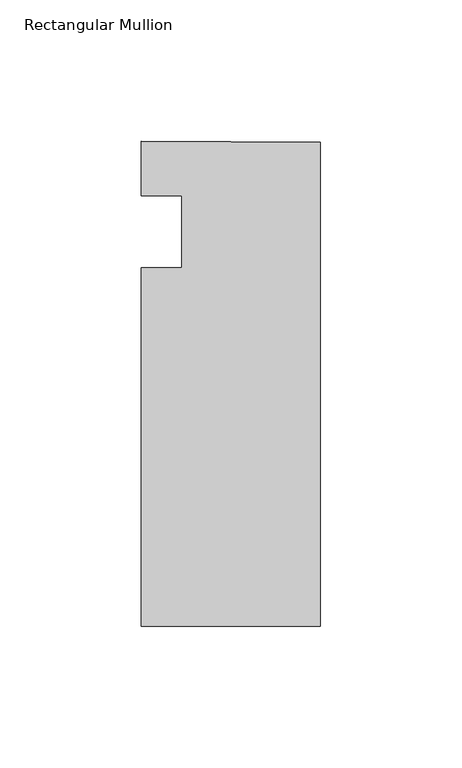
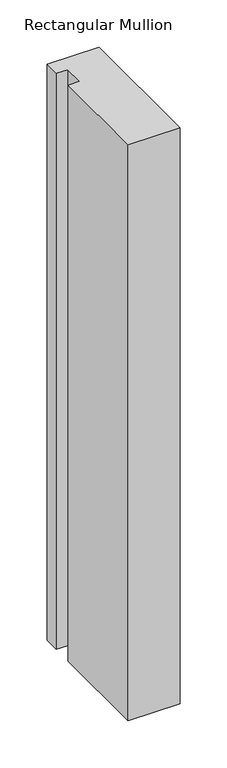
"""IFC4 building model written with IfcOpenShell, lengths in millimetres: member geometry, Rectangular Mullion."""

from ifc_helpers import new_model, si_unit, frame, origin, place, context, project, spatial, polyline, outline, extrude, source, transform, mapped, element, save


def rectangular_mullion_ce19a6ef(model_context):
    return source(origin(), model_context, "Body", "SweptSolid", [
        extrude(outline(polyline([(-63.454026, -139.7014045), (-63.454026, -12.7013791), (-49.166526, -12.7014045), (-49.166526, 12.6985955), (-63.454026, 12.6985955), (-63.3922134, 32.0719397), (0.0, 31.75), (0.0, -139.7014045), (-63.454026, -139.7014045)])), frame((0.0, 0.0, -745.3019278), z_axis=(0.0, 0.0, 1.0), x_axis=(1.0, 0.0, 0.0)), (0.0, 0.0, 1.0), 745.3019278),
    ])


if __name__ == "__main__":
    model = new_model("IFC4")
    model_context = context("Model", 3, world=origin())
    ifc_project = project(units=[si_unit("LENGTHUNIT", "METRE", prefix="MILLI")], contexts=[model_context])
    site = spatial("IfcSite", under=ifc_project)
    building = spatial("IfcBuilding", under=site)
    placement = place(None, origin())
    rectangular_mullion_shape = rectangular_mullion_ce19a6ef(model_context)
    element("IfcMember", 1, ObjectType="Rectangular Mullion", at=placement, inside=building, context=model_context, shape_type="MappedRepresentation", body=[
        mapped(rectangular_mullion_shape, transform((0.0, 0.0, 0.0), x_axis=(1.0, 0.0, 0.0), y_axis=(0.0, 1.0, 0.0), z_axis=(0.0, 0.0, 1.0))),
    ])
    save(model, "model.ifc")
